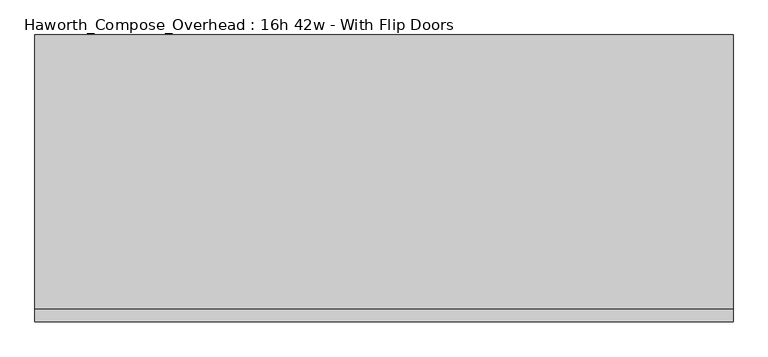
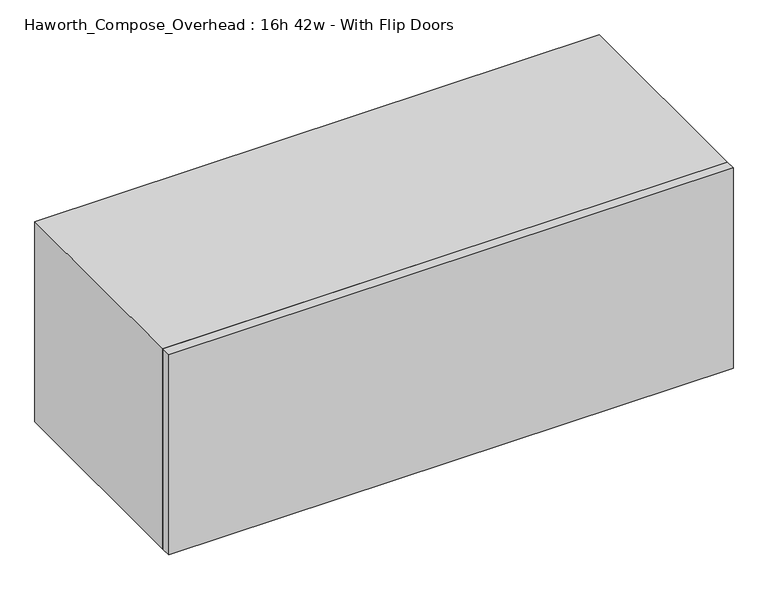
"""IFC4 building model written with IfcOpenShell, lengths in millimetres: furniture geometry, Haworth_Compose_Overhead : 16h 42w - With Flip Doors."""

import ifcopenshell
import ifcopenshell.guid

model = None  # the IFC model being written
_history = None  # IfcOwnerHistory: only IFC2X3 demands one
_inside = {}  # id of a spatial element -> (the spatial element, [elements in it])
_under = {}  # id of a project, library or spatial element -> (it, [spatial elements below it])
_declared = {}  # id of a project -> (the project, [libraries it declares])
_typed = {}  # id of a type object -> (the type object, [elements of that type])
_made_of = {}  # id of a material, layer set ... -> (it, [elements and type objects made of it])


def new_model(schema):
    """Start an empty IFC model of exactly this schema.

    Asked for "IFC4X3", IfcOpenShell would pick the latest addendum, in which some entities
    have other attributes; the version numbers below select the first issue.
    IFC2X3 requires an IfcOwnerHistory on every rooted entity: one is made here for all.
    """
    global model, _history
    if schema == "IFC4X3":
        model = ifcopenshell.file(schema_version=(4, 3, 0, 0))
    else:
        model = ifcopenshell.file(schema=schema)
    _inside.clear()
    _under.clear()
    _declared.clear()
    _typed.clear()
    _made_of.clear()
    _history = None
    if model.schema == "IFC2X3":
        org = make("IfcOrganization", Name="unknown")
        user = make(
            "IfcPersonAndOrganization",
            ThePerson=make("IfcPerson", FamilyName="unknown"),
            TheOrganization=org,
        )
        app = make(
            "IfcApplication",
            ApplicationDeveloper=org,
            Version="unknown",
            ApplicationFullName="unknown",
            ApplicationIdentifier="unknown",
        )
        _history = make(
            "IfcOwnerHistory",
            OwningUser=user,
            OwningApplication=app,
            ChangeAction="ADDED",
            CreationDate=0,
        )
    return model


def make(cls, **values):
    """One entity of the class cls with the attributes given. An attribute that is None is left unset."""
    return model.create_entity(
        cls, **{name: value for name, value in values.items() if value is not None}
    )


def rooted(cls, **values):
    """An entity with a GlobalId (a new one), such as an element, a storey or a relation."""
    return make(cls, GlobalId=ifcopenshell.guid.new(), OwnerHistory=_history, **values)


def si_unit(unit_type, name, prefix=None):
    """IfcSIUnit, for example si_unit("LENGTHUNIT", "METRE", prefix="MILLI")."""
    return make("IfcSIUnit", UnitType=unit_type, Prefix=prefix, Name=name)


def assignment(units):
    """IfcUnitAssignment: the units of a project."""
    return None if units is None else make("IfcUnitAssignment", Units=units)


def point(xyz):
    """IfcCartesianPoint."""
    return None if xyz is None else make("IfcCartesianPoint", Coordinates=xyz)


def direction(xyz):
    """IfcDirection."""
    return None if xyz is None else make("IfcDirection", DirectionRatios=xyz)


def frame(location, z_axis=None, x_axis=None):
    """IfcAxis2Placement3D, a coordinate frame: its origin and axes. An axis left out is left unset."""
    return make(
        "IfcAxis2Placement3D",
        Location=point(location),
        Axis=direction(z_axis),
        RefDirection=direction(x_axis),
    )


def origin():
    """The frame at (0, 0, 0) with its axes left unset."""
    return frame((0.0, 0.0, 0.0))


def place(relative_to, where):
    """IfcLocalPlacement: puts the frame where relative to a parent placement (None: the world)."""
    return make(
        "IfcLocalPlacement", PlacementRelTo=relative_to, RelativePlacement=where
    )


def context(
    kind, dimensions, precision=None, world=None, true_north=None, identifier=None
):
    """IfcGeometricRepresentationContext, for example the 3D "Model" context."""
    return make(
        "IfcGeometricRepresentationContext",
        ContextIdentifier=identifier,
        ContextType=kind,
        CoordinateSpaceDimension=dimensions,
        Precision=precision,
        WorldCoordinateSystem=world,
        TrueNorth=true_north,
    )


def project(units=None, contexts=None):
    """IfcProject with its units and contexts."""
    return rooted(
        "IfcProject",
        Name="project",
        RepresentationContexts=contexts,
        UnitsInContext=assignment(units),
    )


def spatial(cls, under=None, at=None, **own):
    """A site, building, storey or space (cls), placed at a placement, below another one or the project."""
    s = rooted(cls, ObjectPlacement=at, **own)
    if under is not None:
        _under.setdefault(under.id(), (under, []))[1].append(s)
    return s


def polyline(points):
    """IfcPolyline through the points."""
    return make("IfcPolyline", Points=[point(p) for p in points])


def outline(outer, holes=None, kind="AREA"):
    """IfcArbitraryClosedProfileDef: a profile drawn as a closed curve; with holes, ...WithVoids."""
    if holes is None:
        return make("IfcArbitraryClosedProfileDef", ProfileType=kind, OuterCurve=outer)
    return make(
        "IfcArbitraryProfileDefWithVoids",
        ProfileType=kind,
        OuterCurve=outer,
        InnerCurves=holes,
    )


def extrude(swept, where, along, depth):
    """IfcExtrudedAreaSolid: the profile swept, set in the frame where, extruded along a direction by depth."""
    return make(
        "IfcExtrudedAreaSolid",
        SweptArea=swept,
        Position=where,
        ExtrudedDirection=direction(along),
        Depth=depth,
    )


def shape(context_of_items, identifier, shape_type, items):
    """IfcShapeRepresentation: the items that make up one representation, for example the "Body"."""
    return make(
        "IfcShapeRepresentation",
        ContextOfItems=context_of_items,
        RepresentationIdentifier=identifier,
        RepresentationType=shape_type,
        Items=items,
    )


def source(mapping_origin, context_of_items, identifier, shape_type, items):
    """IfcRepresentationMap: a shape defined once, which mapped items show again and again."""
    return make(
        "IfcRepresentationMap",
        MappingOrigin=mapping_origin,
        MappedRepresentation=shape(context_of_items, identifier, shape_type, items),
    )


def transform(
    local_origin,
    x_axis=None,
    y_axis=None,
    z_axis=None,
    scale=None,
    scale2=None,
    scale3=None,
    uniform=True,
):
    """IfcCartesianTransformationOperator3D, or its non-uniform kind. x_axis, y_axis, z_axis: its Axis1, 2, 3."""
    if uniform:
        return make(
            "IfcCartesianTransformationOperator3D",
            Axis1=direction(x_axis),
            Axis2=direction(y_axis),
            LocalOrigin=point(local_origin),
            Scale=scale,
            Axis3=direction(z_axis),
        )
    return make(
        "IfcCartesianTransformationOperator3DnonUniform",
        Axis1=direction(x_axis),
        Axis2=direction(y_axis),
        LocalOrigin=point(local_origin),
        Scale=scale,
        Axis3=direction(z_axis),
        Scale2=scale2,
        Scale3=scale3,
    )


def mapped(mapping_source, mapping_target):
    """IfcMappedItem: shows the shape of a source again, moved by a transform."""
    return make(
        "IfcMappedItem", MappingSource=mapping_source, MappingTarget=mapping_target
    )


def made_of(thing, what):
    """Note that an element or type object is made of a material, layer set ...; save() writes the relation."""
    if what is not None:
        _made_of.setdefault(what.id(), (what, []))[1].append(thing)
    return thing


def element(
    cls,
    number,
    at=None,
    inside=None,
    cuts=None,
    type_object=None,
    material=None,
    context=None,
    identifier="Body",
    shape_type=None,
    held_by="IfcProductDefinitionShape",
    body=None,
    shapes=None,
    **own,
):
    """One element of the class cls, such as IfcWall. Its Tag is "e" and its number.

    at: its placement. inside: the storey or other place that contains it. cuts: it is an
    opening in that element (IfcRelVoidsElement). A single representation is given by context,
    identifier, shape_type and body (its items); several are given by shapes. held_by: the class
    of the entity that holds the representations. save() writes the other relations.
    """
    e = rooted(cls, Tag="e%d" % number, ObjectPlacement=at, **own)
    if body is not None:
        shapes = [shape(context, identifier, shape_type, body)]
    if shapes is not None:
        e.Representation = make(held_by, Representations=shapes)
    if inside is not None:
        _inside.setdefault(inside.id(), (inside, []))[1].append(e)
    if cuts is not None:
        rooted(
            "IfcRelVoidsElement", RelatingBuildingElement=cuts, RelatedOpeningElement=e
        )
    if type_object is not None:
        _typed.setdefault(type_object.id(), (type_object, []))[1].append(e)
    return made_of(e, material)


def aggregate(whole, parts):
    """IfcRelAggregates: a whole, such as a stair, and the parts it consists of."""
    return rooted("IfcRelAggregates", RelatingObject=whole, RelatedObjects=parts)


def save(model, path):
    """Write the relations noted so far, then the file.

    IfcRelAggregates (storeys below a building ...), IfcRelContainedInSpatialStructure (elements
    in a storey), IfcRelDefinesByType, IfcRelAssociatesMaterial and IfcRelDeclares: one each for
    every whole, place, type object, material and project.
    """
    for whole, parts in _under.values():
        aggregate(whole, parts)
    for where, things in _inside.values():
        rooted(
            "IfcRelContainedInSpatialStructure",
            RelatedElements=things,
            RelatingStructure=where,
        )
    for kind, things in _typed.values():
        rooted("IfcRelDefinesByType", RelatedObjects=things, RelatingType=kind)
    for what, things in _made_of.values():
        rooted("IfcRelAssociatesMaterial", RelatedObjects=things, RelatingMaterial=what)
    for by, libraries in _declared.values():
        rooted("IfcRelDeclares", RelatingContext=by, RelatedDefinitions=libraries)
    model.write(path)


def haworth_compose_overhead_16h_42w_with_flip_doors_d1613350(model_context):
    return source(origin(), model_context, "Body", "SweptSolid", [
        extrude(outline(polyline([(698.5, -438.15), (-368.3, -438.15), (-368.3, -419.1), (698.5, -419.1), (698.5, -438.15)])), frame((0.0, 0.0, 1270.0), z_axis=(0.0, 0.0, 1.0), x_axis=(1.0, 0.0, 0.0)), (0.0, 0.0, 1.0), 400.05),
        extrude(outline(polyline([(673.1, -6.35), (-342.9, -6.35), (-342.9, 0.0), (673.1, 0.0), (673.1, -6.35)])), frame((0.0, 0.0, 1295.4), z_axis=(0.0, 0.0, 1.0), x_axis=(1.0, 0.0, 0.0)), (0.0, 0.0, 1.0), 349.25),
        extrude(outline(polyline([(1270.0, 698.5), (1670.05, 698.5), (1670.05, -368.3), (1270.0, -368.3), (1270.0, 698.5)]), holes=[polyline([(1644.65, 673.1), (1295.4, 673.1), (1295.4, -342.9), (1644.65, -342.9), (1644.65, 673.1)])]), frame((0.0, -419.1, 0.0), z_axis=(0.0, 1.0, 0.0), x_axis=(0.0, 0.0, 1.0)), (0.0, 0.0, 1.0), 419.1),
    ])


if __name__ == "__main__":
    model = new_model("IFC4")
    model_context = context("Model", 3, world=origin())
    ifc_project = project(units=[si_unit("LENGTHUNIT", "METRE", prefix="MILLI")], contexts=[model_context])
    site = spatial("IfcSite", under=ifc_project)
    building = spatial("IfcBuilding", under=site)
    placement = place(None, origin())
    haworth_compose_overhead_16h_42w_with_flip_doors_shape = haworth_compose_overhead_16h_42w_with_flip_doors_d1613350(model_context)
    element("IfcFurniture", 1, ObjectType="Haworth_Compose_Overhead : 16h 42w - With Flip Doors", at=placement, inside=building, context=model_context, shape_type="MappedRepresentation", body=[
        mapped(haworth_compose_overhead_16h_42w_with_flip_doors_shape, transform((0.0, 0.0, 0.0), x_axis=(1.0, 0.0, 0.0), y_axis=(0.0, 1.0, 0.0), z_axis=(0.0, 0.0, 1.0))),
    ])
    save(model, "model.ifc")
